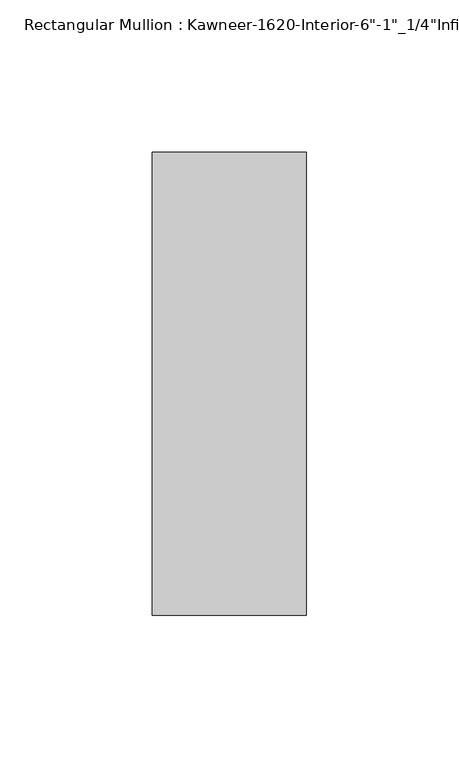
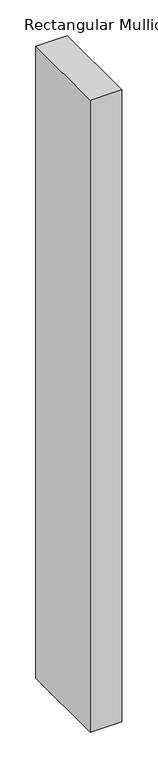
"""IFC4 building model written with IfcOpenShell, lengths in millimetres: member geometry."""

import ifcopenshell
import ifcopenshell.guid

model = None  # the IFC model being written
_history = None  # IfcOwnerHistory: only IFC2X3 demands one
_inside = {}  # id of a spatial element -> (the spatial element, [elements in it])
_under = {}  # id of a project, library or spatial element -> (it, [spatial elements below it])
_declared = {}  # id of a project -> (the project, [libraries it declares])
_typed = {}  # id of a type object -> (the type object, [elements of that type])
_made_of = {}  # id of a material, layer set ... -> (it, [elements and type objects made of it])


def new_model(schema):
    """Start an empty IFC model of exactly this schema.

    Asked for "IFC4X3", IfcOpenShell would pick the latest addendum, in which some entities
    have other attributes; the version numbers below select the first issue.
    IFC2X3 requires an IfcOwnerHistory on every rooted entity: one is made here for all.
    """
    global model, _history
    if schema == "IFC4X3":
        model = ifcopenshell.file(schema_version=(4, 3, 0, 0))
    else:
        model = ifcopenshell.file(schema=schema)
    _inside.clear()
    _under.clear()
    _declared.clear()
    _typed.clear()
    _made_of.clear()
    _history = None
    if model.schema == "IFC2X3":
        org = make("IfcOrganization", Name="unknown")
        user = make(
            "IfcPersonAndOrganization",
            ThePerson=make("IfcPerson", FamilyName="unknown"),
            TheOrganization=org,
        )
        app = make(
            "IfcApplication",
            ApplicationDeveloper=org,
            Version="unknown",
            ApplicationFullName="unknown",
            ApplicationIdentifier="unknown",
        )
        _history = make(
            "IfcOwnerHistory",
            OwningUser=user,
            OwningApplication=app,
            ChangeAction="ADDED",
            CreationDate=0,
        )
    return model


def make(cls, **values):
    """One entity of the class cls with the attributes given. An attribute that is None is left unset."""
    return model.create_entity(
        cls, **{name: value for name, value in values.items() if value is not None}
    )


def rooted(cls, **values):
    """An entity with a GlobalId (a new one), such as an element, a storey or a relation."""
    return make(cls, GlobalId=ifcopenshell.guid.new(), OwnerHistory=_history, **values)


def si_unit(unit_type, name, prefix=None):
    """IfcSIUnit, for example si_unit("LENGTHUNIT", "METRE", prefix="MILLI")."""
    return make("IfcSIUnit", UnitType=unit_type, Prefix=prefix, Name=name)


def assignment(units):
    """IfcUnitAssignment: the units of a project."""
    return None if units is None else make("IfcUnitAssignment", Units=units)


def point(xyz):
    """IfcCartesianPoint."""
    return None if xyz is None else make("IfcCartesianPoint", Coordinates=xyz)


def direction(xyz):
    """IfcDirection."""
    return None if xyz is None else make("IfcDirection", DirectionRatios=xyz)


def frame(location, z_axis=None, x_axis=None):
    """IfcAxis2Placement3D, a coordinate frame: its origin and axes. An axis left out is left unset."""
    return make(
        "IfcAxis2Placement3D",
        Location=point(location),
        Axis=direction(z_axis),
        RefDirection=direction(x_axis),
    )


def origin():
    """The frame at (0, 0, 0) with its axes left unset."""
    return frame((0.0, 0.0, 0.0))


def place(relative_to, where):
    """IfcLocalPlacement: puts the frame where relative to a parent placement (None: the world)."""
    return make(
        "IfcLocalPlacement", PlacementRelTo=relative_to, RelativePlacement=where
    )


def context(
    kind, dimensions, precision=None, world=None, true_north=None, identifier=None
):
    """IfcGeometricRepresentationContext, for example the 3D "Model" context."""
    return make(
        "IfcGeometricRepresentationContext",
        ContextIdentifier=identifier,
        ContextType=kind,
        CoordinateSpaceDimension=dimensions,
        Precision=precision,
        WorldCoordinateSystem=world,
        TrueNorth=true_north,
    )


def project(units=None, contexts=None):
    """IfcProject with its units and contexts."""
    return rooted(
        "IfcProject",
        Name="project",
        RepresentationContexts=contexts,
        UnitsInContext=assignment(units),
    )


def spatial(cls, under=None, at=None, **own):
    """A site, building, storey or space (cls), placed at a placement, below another one or the project."""
    s = rooted(cls, ObjectPlacement=at, **own)
    if under is not None:
        _under.setdefault(under.id(), (under, []))[1].append(s)
    return s


def polyline(points):
    """IfcPolyline through the points."""
    return make("IfcPolyline", Points=[point(p) for p in points])


def outline(outer, holes=None, kind="AREA"):
    """IfcArbitraryClosedProfileDef: a profile drawn as a closed curve; with holes, ...WithVoids."""
    if holes is None:
        return make("IfcArbitraryClosedProfileDef", ProfileType=kind, OuterCurve=outer)
    return make(
        "IfcArbitraryProfileDefWithVoids",
        ProfileType=kind,
        OuterCurve=outer,
        InnerCurves=holes,
    )


def extrude(swept, where, along, depth):
    """IfcExtrudedAreaSolid: the profile swept, set in the frame where, extruded along a direction by depth."""
    return make(
        "IfcExtrudedAreaSolid",
        SweptArea=swept,
        Position=where,
        ExtrudedDirection=direction(along),
        Depth=depth,
    )


def shape(context_of_items, identifier, shape_type, items):
    """IfcShapeRepresentation: the items that make up one representation, for example the "Body"."""
    return make(
        "IfcShapeRepresentation",
        ContextOfItems=context_of_items,
        RepresentationIdentifier=identifier,
        RepresentationType=shape_type,
        Items=items,
    )


def source(mapping_origin, context_of_items, identifier, shape_type, items):
    """IfcRepresentationMap: a shape defined once, which mapped items show again and again."""
    return make(
        "IfcRepresentationMap",
        MappingOrigin=mapping_origin,
        MappedRepresentation=shape(context_of_items, identifier, shape_type, items),
    )


def transform(
    local_origin,
    x_axis=None,
    y_axis=None,
    z_axis=None,
    scale=None,
    scale2=None,
    scale3=None,
    uniform=True,
):
    """IfcCartesianTransformationOperator3D, or its non-uniform kind. x_axis, y_axis, z_axis: its Axis1, 2, 3."""
    if uniform:
        return make(
            "IfcCartesianTransformationOperator3D",
            Axis1=direction(x_axis),
            Axis2=direction(y_axis),
            LocalOrigin=point(local_origin),
            Scale=scale,
            Axis3=direction(z_axis),
        )
    return make(
        "IfcCartesianTransformationOperator3DnonUniform",
        Axis1=direction(x_axis),
        Axis2=direction(y_axis),
        LocalOrigin=point(local_origin),
        Scale=scale,
        Axis3=direction(z_axis),
        Scale2=scale2,
        Scale3=scale3,
    )


def mapped(mapping_source, mapping_target):
    """IfcMappedItem: shows the shape of a source again, moved by a transform."""
    return make(
        "IfcMappedItem", MappingSource=mapping_source, MappingTarget=mapping_target
    )


def made_of(thing, what):
    """Note that an element or type object is made of a material, layer set ...; save() writes the relation."""
    if what is not None:
        _made_of.setdefault(what.id(), (what, []))[1].append(thing)
    return thing


def element(
    cls,
    number,
    at=None,
    inside=None,
    cuts=None,
    type_object=None,
    material=None,
    context=None,
    identifier="Body",
    shape_type=None,
    held_by="IfcProductDefinitionShape",
    body=None,
    shapes=None,
    **own,
):
    """One element of the class cls, such as IfcWall. Its Tag is "e" and its number.

    at: its placement. inside: the storey or other place that contains it. cuts: it is an
    opening in that element (IfcRelVoidsElement). A single representation is given by context,
    identifier, shape_type and body (its items); several are given by shapes. held_by: the class
    of the entity that holds the representations. save() writes the other relations.
    """
    e = rooted(cls, Tag="e%d" % number, ObjectPlacement=at, **own)
    if body is not None:
        shapes = [shape(context, identifier, shape_type, body)]
    if shapes is not None:
        e.Representation = make(held_by, Representations=shapes)
    if inside is not None:
        _inside.setdefault(inside.id(), (inside, []))[1].append(e)
    if cuts is not None:
        rooted(
            "IfcRelVoidsElement", RelatingBuildingElement=cuts, RelatedOpeningElement=e
        )
    if type_object is not None:
        _typed.setdefault(type_object.id(), (type_object, []))[1].append(e)
    return made_of(e, material)


def aggregate(whole, parts):
    """IfcRelAggregates: a whole, such as a stair, and the parts it consists of."""
    return rooted("IfcRelAggregates", RelatingObject=whole, RelatedObjects=parts)


def save(model, path):
    """Write the relations noted so far, then the file.

    IfcRelAggregates (storeys below a building ...), IfcRelContainedInSpatialStructure (elements
    in a storey), IfcRelDefinesByType, IfcRelAssociatesMaterial and IfcRelDeclares: one each for
    every whole, place, type object, material and project.
    """
    for whole, parts in _under.values():
        aggregate(whole, parts)
    for where, things in _inside.values():
        rooted(
            "IfcRelContainedInSpatialStructure",
            RelatedElements=things,
            RelatingStructure=where,
        )
    for kind, things in _typed.values():
        rooted("IfcRelDefinesByType", RelatedObjects=things, RelatingType=kind)
    for what, things in _made_of.values():
        rooted("IfcRelAssociatesMaterial", RelatedObjects=things, RelatingMaterial=what)
    for by, libraries in _declared.values():
        rooted("IfcRelDeclares", RelatingContext=by, RelatedDefinitions=libraries)
    model.write(path)


def member_fe10754d(model_context):
    return source(origin(), model_context, "Body", "SweptSolid", [
        extrude(outline(polyline([(25.4, -123.825), (-25.4, -123.825), (-25.4, 28.575), (25.4, 28.575), (25.4, -123.825)])), frame((0.0, 0.0, -1077.9125), z_axis=(0.0, 0.0, 1.0), x_axis=(1.0, 0.0, 0.0)), (0.0, 0.0, 1.0), 1077.9125),
    ])


if __name__ == "__main__":
    model = new_model("IFC4")
    model_context = context("Model", 3, world=origin())
    ifc_project = project(units=[si_unit("LENGTHUNIT", "METRE", prefix="MILLI")], contexts=[model_context])
    site = spatial("IfcSite", under=ifc_project)
    building = spatial("IfcBuilding", under=site)
    placement = place(None, origin())
    member_shape = member_fe10754d(model_context)
    element("IfcMember", 1, ObjectType="Rectangular Mullion : Kawneer-1620-Interior-6\"-1\"_1/4\"Infill", at=placement, inside=building, context=model_context, shape_type="MappedRepresentation", body=[
        mapped(member_shape, transform((0.0, 0.0, 0.0), x_axis=(1.0, 0.0, 0.0), y_axis=(0.0, 1.0, 0.0), z_axis=(0.0, 0.0, 1.0))),
    ])
    save(model, "model.ifc")
